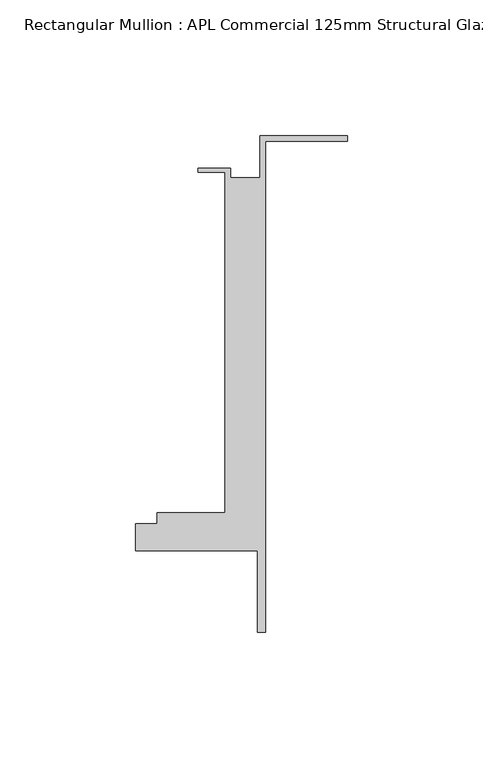
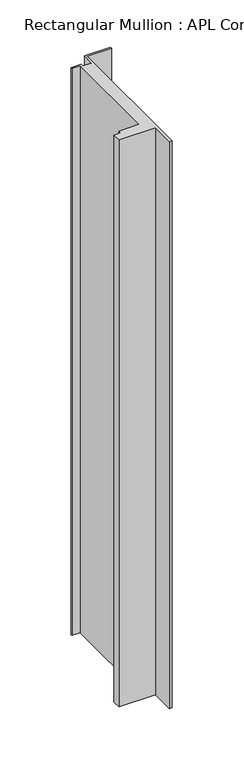
"""IFC4 building model written with IfcOpenShell, lengths in millimetres: member geometry, Rectangular Mullion : APL Commercial 125mm Structural Glaze SubSill."""

from ifc_helpers import new_model, si_unit, frame, origin, place, context, project, spatial, polyline, outline, extrude, source, transform, mapped, element, save


def rectangular_mullion_apl_commercial_125mm_structural_glaze_275de31d(model_context):
    return source(origin(), model_context, "Body", "SweptSolid", [
        extrude(outline(polyline([(-32.1465839, 41.25), (0.0, 41.25), (0.0, 39.25), (-30.1465839, 39.25), (-30.1465839, -141.75), (-33.1466122, -141.75), (-33.1466122, -111.75), (-78.1466122, -111.75), (-78.1466122, -101.75), (-70.1466122, -101.75), (-70.1466122, -97.75), (-45.1465839, -97.75), (-45.1465839, 27.75), (-55.1465839, 27.75), (-55.1465839, 29.25), (-43.1465839, 29.25), (-43.1465839, 25.75), (-32.1465839, 25.75), (-32.1465839, 41.25)])), frame((0.0, 0.0, -735.4300071), z_axis=(0.0, 0.0, 1.0), x_axis=(1.0, 0.0, 0.0)), (0.0, 0.0, 1.0), 735.4300071),
    ])


if __name__ == "__main__":
    model = new_model("IFC4")
    model_context = context("Model", 3, world=origin())
    ifc_project = project(units=[si_unit("LENGTHUNIT", "METRE", prefix="MILLI")], contexts=[model_context])
    site = spatial("IfcSite", under=ifc_project)
    building = spatial("IfcBuilding", under=site)
    placement = place(None, origin())
    rectangular_mullion_apl_commercial_125mm_structural_glaze_shape = rectangular_mullion_apl_commercial_125mm_structural_glaze_275de31d(model_context)
    element("IfcMember", 1, ObjectType="Rectangular Mullion : APL Commercial 125mm Structural Glaze SubSill", at=placement, inside=building, context=model_context, shape_type="MappedRepresentation", body=[
        mapped(rectangular_mullion_apl_commercial_125mm_structural_glaze_shape, transform((0.0, 0.0, 0.0), x_axis=(1.0, 0.0, 0.0), y_axis=(0.0, 1.0, 0.0), z_axis=(0.0, 0.0, 1.0))),
    ])
    save(model, "model.ifc")
